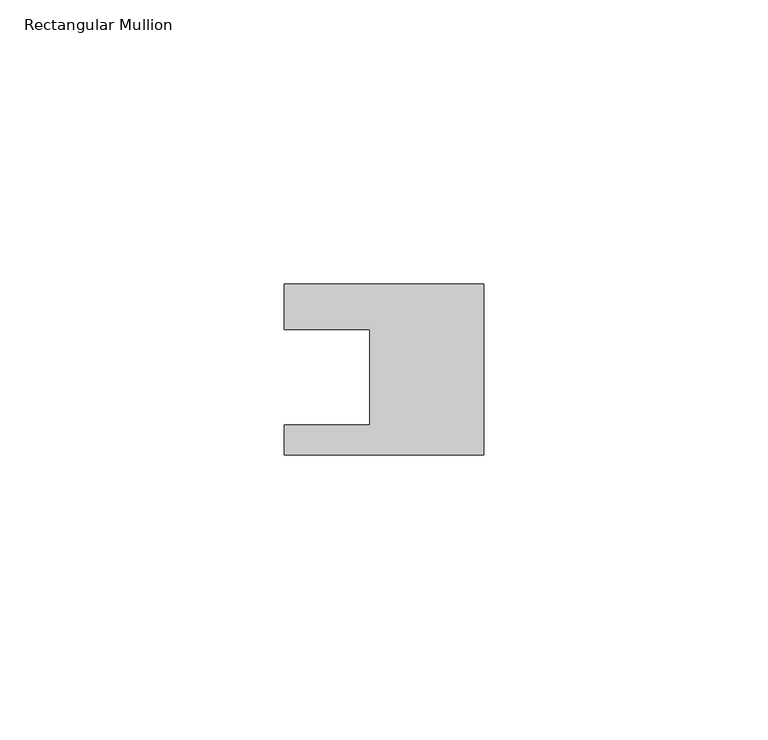
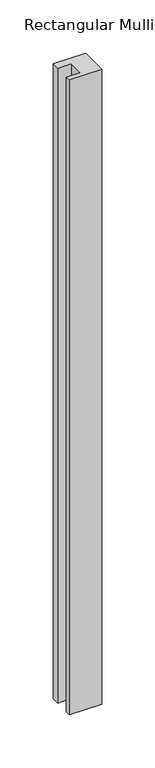
"""IFC4 building model written with IfcOpenShell, lengths in millimetres: member geometry, Rectangular Mullion."""

from ifc_helpers import new_model, si_unit, frame, origin, place, context, project, spatial, polyline, outline, extrude, source, transform, mapped, element, save


def rectangular_mullion_93cf0dfb(model_context):
    return source(origin(), model_context, "Body", "SweptSolid", [
        extrude(outline(polyline([(0.0, 7.94), (0.0, -22.06), (-35.0, -22.06), (-35.0, -16.8), (-20.0, -16.8), (-20.0, 0.001), (-35.0, 0.001), (-35.0, 7.94), (0.0, 7.94)])), frame((0.0, 0.0, -727.0), z_axis=(0.0, 0.0, 1.0), x_axis=(1.0, 0.0, 0.0)), (0.0, 0.0, 1.0), 727.0),
    ])


if __name__ == "__main__":
    model = new_model("IFC4")
    model_context = context("Model", 3, world=origin())
    ifc_project = project(units=[si_unit("LENGTHUNIT", "METRE", prefix="MILLI")], contexts=[model_context])
    site = spatial("IfcSite", under=ifc_project)
    building = spatial("IfcBuilding", under=site)
    placement = place(None, origin())
    rectangular_mullion_shape = rectangular_mullion_93cf0dfb(model_context)
    element("IfcMember", 1, ObjectType="Rectangular Mullion", at=placement, inside=building, context=model_context, shape_type="MappedRepresentation", body=[
        mapped(rectangular_mullion_shape, transform((0.0, 0.0, 0.0), x_axis=(1.0, 0.0, 0.0), y_axis=(0.0, 1.0, 0.0), z_axis=(0.0, 0.0, 1.0))),
    ])
    save(model, "model.ifc")
